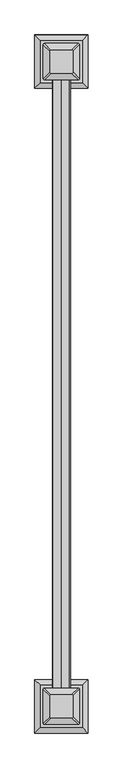
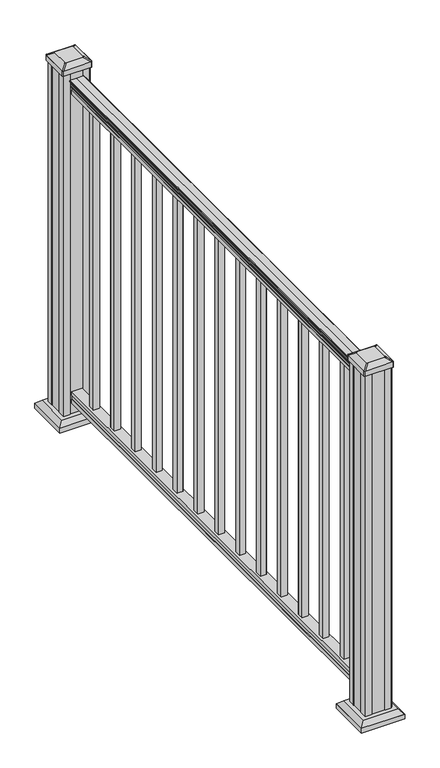
"""IFC4 building model written with IfcOpenShell, lengths in millimetres: railing geometry."""

from ifc_helpers import new_model, si_unit, point, frame, frame_2d, origin, origin_with_axes, place, context, project, spatial, polyline, circle_curve, trimmed, segment, composite_curve, outline, extrude, faceted_brep, source, transform, mapped, element, save
from ifc_brep_helpers import plane_surface, extruded_surface, advanced_brep


def railing_3c4a6111(model_context):
    return source(origin(), model_context, "Body", "SolidModel", [
        extrude(outline(composite_curve([segment(trimmed(circle_curve(frame_2d((1090.8043297, 2999.6160268)), 1.2869144), [point((1090.8043297, 2998.3291125))], [point((1090.8043297, 3000.9029412))], False, "CARTESIAN"), True, "CONTINUOUS"), segment(polyline([(1090.8043297, 3000.9029412), (1080.147013, 3000.9029412), (1079.131013, 2999.8869412), (1066.8, 2999.8869412), (1066.8, 3031.6369412), (1079.2888283, 3031.6369412), (1080.3048283, 3030.6209412), (1090.8043297, 3030.6209412)]), True, "CONTINUOUS"), segment(trimmed(circle_curve(frame_2d((1090.8043297, 3031.9078556)), 1.2869144), [point((1090.8043297, 3030.6209412))], [point((1090.8043297, 3033.1947699))], False, "CARTESIAN"), True, "CONTINUOUS"), segment(polyline([(1090.8043297, 3033.1947699), (1092.692412, 3033.1947699)]), True, "CONTINUOUS"), segment(trimmed(circle_curve(frame_2d((1098.4506383, 3026.8800167)), 8.545951), [point((1092.692412, 3033.1947699))], [point((1094.2546695, 3034.3249562))], False, "CARTESIAN"), True, "CONTINUOUS"), segment(trimmed(circle_curve(frame_2d((1097.8636577, 3027.3170796)), 7.882584), [point((1094.2546695, 3034.3249562))], [point((1101.4726458, 3034.3249562))], False, "CARTESIAN"), True, "CONTINUOUS"), segment(trimmed(circle_curve(frame_2d((1103.7112527, 3037.8304038)), 4.1592695), [point((1101.4726458, 3034.3249562))], [point((1103.9060812, 3033.6756998))], True, "CARTESIAN"), True, "CONTINUOUS"), segment(trimmed(circle_curve(frame_2d((1103.6508864, 3039.1177103)), 5.4479907), [point((1103.9060812, 3033.6756998))], [point((1108.2362083, 3036.1756998))], True, "CARTESIAN"), True, "CONTINUOUS"), segment(trimmed(circle_curve(frame_2d((1108.233395, 3037.8845519)), 1.7088543), [point((1108.2362083, 3036.1756998))], [point((1109.9157972, 3037.5850423))], True, "CARTESIAN"), True, "CONTINUOUS"), segment(trimmed(circle_curve(frame_2d((1111.0205318, 3036.2676518)), 1.7192895), [point((1109.9157972, 3037.5850423))], [point((1111.0205318, 3037.9869413))], False, "CARTESIAN"), True, "CONTINUOUS"), segment(polyline([(1111.0205318, 3037.9869413), (1112.3608158, 3037.9869412)]), True, "CONTINUOUS"), segment(trimmed(circle_curve(frame_2d((1112.3608158, 3036.433494)), 1.5534472), [point((1112.3608158, 3037.9869412))], [point((1113.914263, 3036.433494))], False, "CARTESIAN"), True, "CONTINUOUS"), segment(polyline([(1113.914263, 3036.433494), (1113.914263, 3015.7619412), (1113.914263, 2995.0903884)]), True, "CONTINUOUS"), segment(trimmed(circle_curve(frame_2d((1112.3608158, 2995.0903884)), 1.5534472), [point((1113.914263, 2995.0903884))], [point((1112.3608158, 2993.5369412))], False, "CARTESIAN"), True, "CONTINUOUS"), segment(polyline([(1112.3608158, 2993.5369412), (1111.0205318, 2993.5369412)]), True, "CONTINUOUS"), segment(trimmed(circle_curve(frame_2d((1111.0205318, 2995.2562306)), 1.7192895), [point((1111.0205318, 2993.5369412))], [point((1109.9157972, 2993.9388401))], False, "CARTESIAN"), True, "CONTINUOUS"), segment(trimmed(circle_curve(frame_2d((1108.233395, 2993.6393305)), 1.7088543), [point((1109.9157972, 2993.9388401))], [point((1108.2362083, 2995.3481826))], True, "CARTESIAN"), True, "CONTINUOUS"), segment(trimmed(circle_curve(frame_2d((1103.6508864, 2992.4061721)), 5.4479907), [point((1108.2362083, 2995.3481826))], [point((1103.9060812, 2997.8481826))], True, "CARTESIAN"), True, "CONTINUOUS"), segment(trimmed(circle_curve(frame_2d((1103.7112527, 2993.6934787)), 4.1592695), [point((1103.9060812, 2997.8481826))], [point((1101.4726458, 2997.1989262))], True, "CARTESIAN"), True, "CONTINUOUS"), segment(trimmed(circle_curve(frame_2d((1097.8636577, 3004.2068028)), 7.882584), [point((1101.4726458, 2997.1989262))], [point((1094.2546695, 2997.1989262))], False, "CARTESIAN"), True, "CONTINUOUS"), segment(trimmed(circle_curve(frame_2d((1098.4506383, 3004.6438658)), 8.545951), [point((1094.2546695, 2997.1989262))], [point((1092.692412, 2998.3291125))], False, "CARTESIAN"), True, "CONTINUOUS"), segment(polyline([(1092.692412, 2998.3291125), (1090.8043297, 2998.3291125)]), True, "CONTINUOUS")], self_intersect=False)), frame((0.0, 2351.6700183, 0.0), z_axis=(0.0, 1.0, 0.0), x_axis=(0.0, 0.0, 1.0)), (0.0, 0.0, 1.0), 1524.0),
        extrude(outline(polyline([(76.0541976, 2999.8494543), (63.5, 2999.8494543), (63.5, 3031.5994543), (76.0375508, 3031.5994543), (77.3858283, 3030.5834543), (87.6975248, 3030.5834543), (89.0458024, 3031.5994543), (101.5958781, 3031.5994543), (101.5958781, 2999.8494543), (89.0624492, 2999.8494543), (87.7141717, 3000.8654543), (77.3546183, 3000.8654543), (76.0541976, 2999.8494543)])), frame((0.0, 2351.6700183, 0.0), z_axis=(0.0, 1.0, 0.0), x_axis=(0.0, 0.0, 1.0)), (0.0, 0.0, 1.0), 1524.0),
        extrude(outline(polyline([(3006.2369412, 3771.0934558), (3006.2369412, 3790.1434558), (3025.2869412, 3790.1434558), (3025.2869412, 3771.0934558), (3006.2369412, 3771.0934558)]), holes=[polyline([(3006.6338162, 3771.4903308), (3024.8900662, 3771.4903308), (3024.8900662, 3789.7465808), (3006.6338162, 3789.7465808), (3006.6338162, 3771.4903308)])]), frame((0.0, 0.0, 101.5958781), z_axis=(0.0, 0.0, 1.0), x_axis=(1.0, 0.0, 0.0)), (0.0, 0.0, 1.0), 965.2041219),
        extrude(outline(polyline([(3006.2369412, 3659.9684558), (3006.2369412, 3679.0184558), (3025.2869412, 3679.0184558), (3025.2869412, 3659.9684558), (3006.2369412, 3659.9684558)]), holes=[polyline([(3006.6338162, 3660.3653308), (3024.8900662, 3660.3653308), (3024.8900662, 3678.6215808), (3006.6338162, 3678.6215808), (3006.6338162, 3660.3653308)])]), frame((0.0, 0.0, 101.5958781), z_axis=(0.0, 0.0, 1.0), x_axis=(1.0, 0.0, 0.0)), (0.0, 0.0, 1.0), 965.2041219),
        extrude(outline(polyline([(3006.2369412, 3548.8434558), (3006.2369412, 3567.8934558), (3025.2869412, 3567.8934558), (3025.2869412, 3548.8434558), (3006.2369412, 3548.8434558)]), holes=[polyline([(3006.6338162, 3549.2403308), (3024.8900662, 3549.2403308), (3024.8900662, 3567.4965808), (3006.6338162, 3567.4965808), (3006.6338162, 3549.2403308)])]), frame((0.0, 0.0, 101.5958781), z_axis=(0.0, 0.0, 1.0), x_axis=(1.0, 0.0, 0.0)), (0.0, 0.0, 1.0), 965.2041219),
        extrude(outline(polyline([(3006.2369412, 3437.7184558), (3006.2369412, 3456.7684558), (3025.2869412, 3456.7684558), (3025.2869412, 3437.7184558), (3006.2369412, 3437.7184558)]), holes=[polyline([(3006.6338162, 3438.1153308), (3024.8900662, 3438.1153308), (3024.8900662, 3456.3715808), (3006.6338162, 3456.3715808), (3006.6338162, 3438.1153308)])]), frame((0.0, 0.0, 101.5958781), z_axis=(0.0, 0.0, 1.0), x_axis=(1.0, 0.0, 0.0)), (0.0, 0.0, 1.0), 965.2041219),
        extrude(outline(polyline([(3006.2369412, 3326.5934558), (3006.2369412, 3345.6434558), (3025.2869412, 3345.6434558), (3025.2869412, 3326.5934558), (3006.2369412, 3326.5934558)]), holes=[polyline([(3006.6338162, 3326.9903308), (3024.8900662, 3326.9903308), (3024.8900662, 3345.2465808), (3006.6338162, 3345.2465808), (3006.6338162, 3326.9903308)])]), frame((0.0, 0.0, 101.5958781), z_axis=(0.0, 0.0, 1.0), x_axis=(1.0, 0.0, 0.0)), (0.0, 0.0, 1.0), 965.2041219),
        extrude(outline(polyline([(3006.2369412, 3215.4684558), (3006.2369412, 3234.5184558), (3025.2869412, 3234.5184558), (3025.2869412, 3215.4684558), (3006.2369412, 3215.4684558)]), holes=[polyline([(3006.6338162, 3215.8653308), (3024.8900662, 3215.8653308), (3024.8900662, 3234.1215808), (3006.6338162, 3234.1215808), (3006.6338162, 3215.8653308)])]), frame((0.0, 0.0, 101.5958781), z_axis=(0.0, 0.0, 1.0), x_axis=(1.0, 0.0, 0.0)), (0.0, 0.0, 1.0), 965.2041219),
        extrude(outline(polyline([(3006.2369412, 3104.3434558), (3006.2369412, 3123.3934558), (3025.2869412, 3123.3934558), (3025.2869412, 3104.3434558), (3006.2369412, 3104.3434558)]), holes=[polyline([(3006.6338162, 3104.7403308), (3024.8900662, 3104.7403308), (3024.8900662, 3122.9965808), (3006.6338162, 3122.9965808), (3006.6338162, 3104.7403308)])]), frame((0.0, 0.0, 101.5958781), z_axis=(0.0, 0.0, 1.0), x_axis=(1.0, 0.0, 0.0)), (0.0, 0.0, 1.0), 965.2041219),
        extrude(outline(polyline([(3006.2369412, 2993.2184558), (3006.2369412, 3012.2684558), (3025.2869412, 3012.2684558), (3025.2869412, 2993.2184558), (3006.2369412, 2993.2184558)]), holes=[polyline([(3006.6338162, 2993.6153308), (3024.8900662, 2993.6153308), (3024.8900662, 3011.8715808), (3006.6338162, 3011.8715808), (3006.6338162, 2993.6153308)])]), frame((0.0, 0.0, 101.5958781), z_axis=(0.0, 0.0, 1.0), x_axis=(1.0, 0.0, 0.0)), (0.0, 0.0, 1.0), 965.2041219),
        extrude(outline(polyline([(3006.2369412, 2882.0934558), (3006.2369412, 2901.1434558), (3025.2869412, 2901.1434558), (3025.2869412, 2882.0934558), (3006.2369412, 2882.0934558)]), holes=[polyline([(3006.6338162, 2882.4903308), (3024.8900662, 2882.4903308), (3024.8900662, 2900.7465808), (3006.6338162, 2900.7465808), (3006.6338162, 2882.4903308)])]), frame((0.0, 0.0, 101.5958781), z_axis=(0.0, 0.0, 1.0), x_axis=(1.0, 0.0, 0.0)), (0.0, 0.0, 1.0), 965.2041219),
        extrude(outline(polyline([(3006.2369412, 2770.9684558), (3006.2369412, 2790.0184558), (3025.2869412, 2790.0184558), (3025.2869412, 2770.9684558), (3006.2369412, 2770.9684558)]), holes=[polyline([(3006.6338162, 2771.3653308), (3024.8900662, 2771.3653308), (3024.8900662, 2789.6215808), (3006.6338162, 2789.6215808), (3006.6338162, 2771.3653308)])]), frame((0.0, 0.0, 101.5958781), z_axis=(0.0, 0.0, 1.0), x_axis=(1.0, 0.0, 0.0)), (0.0, 0.0, 1.0), 965.2041219),
        extrude(outline(polyline([(3006.2369412, 2659.8434558), (3006.2369412, 2678.8934558), (3025.2869412, 2678.8934558), (3025.2869412, 2659.8434558), (3006.2369412, 2659.8434558)]), holes=[polyline([(3006.6338162, 2660.2403308), (3024.8900662, 2660.2403308), (3024.8900662, 2678.4965808), (3006.6338162, 2678.4965808), (3006.6338162, 2660.2403308)])]), frame((0.0, 0.0, 101.5958781), z_axis=(0.0, 0.0, 1.0), x_axis=(1.0, 0.0, 0.0)), (0.0, 0.0, 1.0), 965.2041219),
        extrude(outline(polyline([(3006.2369412, 2548.7184558), (3006.2369412, 2567.7684558), (3025.2869412, 2567.7684558), (3025.2869412, 2548.7184558), (3006.2369412, 2548.7184558)]), holes=[polyline([(3006.6338162, 2549.1153308), (3024.8900662, 2549.1153308), (3024.8900662, 2567.3715808), (3006.6338162, 2567.3715808), (3006.6338162, 2549.1153308)])]), frame((0.0, 0.0, 101.5958781), z_axis=(0.0, 0.0, 1.0), x_axis=(1.0, 0.0, 0.0)), (0.0, 0.0, 1.0), 965.2041219),
        extrude(outline(polyline([(3006.2369412, 2437.5934558), (3006.2369412, 2456.6434558), (3025.2869412, 2456.6434558), (3025.2869412, 2437.5934558), (3006.2369412, 2437.5934558)]), holes=[polyline([(3006.6338162, 2437.9903308), (3024.8900662, 2437.9903308), (3024.8900662, 2456.2465808), (3006.6338162, 2456.2465808), (3006.6338162, 2437.9903308)])]), frame((0.0, 0.0, 101.5958781), z_axis=(0.0, 0.0, 1.0), x_axis=(1.0, 0.0, 0.0)), (0.0, 0.0, 1.0), 965.2041219),
        faceted_brep([(2963.1760037, 3864.3590808, 28.575), (3068.3478787, 3864.3590808, 28.575), (3068.3478787, 3969.5309558, 28.575), (2963.1760037, 3969.5309558, 28.575), (2949.1365506, 3850.3196276, 15.24), (2949.1365506, 3983.5704089, 15.24), (3082.3873318, 3983.5704089, 15.24), (3082.3873318, 3850.3196276, 15.24)], [[[0, 1, 2, 3]], [[4, 5, 6, 7]], [[4, 7, 1, 0]], [[7, 6, 2, 1]], [[6, 5, 3, 2]], [[5, 4, 0, 3]]]),
        extrude(outline(polyline([(2949.1365506, 3850.3196276), (2949.1365506, 3983.5704089), (3082.3873318, 3983.5704089), (3082.3873318, 3850.3196276), (2949.1365506, 3850.3196276)])), origin_with_axes(), (0.0, 0.0, 1.0), 15.24),
        advanced_brep(
        [(3041.5588162, 3887.9731433, 1165.225), (3044.7338162, 3891.1481433, 1165.225), (3044.7338162, 3942.7418933, 1165.225), (3041.5588162, 3945.9168933, 1165.225), (2989.9650662, 3945.9168933, 1165.225), (2986.7900662, 3942.7418933, 1165.225), (2986.7900662, 3891.1481433, 1165.225), (2989.9650662, 3887.9731433, 1165.225), (3057.8306912, 3871.7012683, 1153.922), (2973.6931912, 3871.7012683, 1153.922), (2970.5181912, 3874.8762683, 1153.922), (2970.5181912, 3959.0137683, 1153.922), (2973.6931912, 3962.1887683, 1153.922), (3057.8306912, 3962.1887683, 1153.922), (3061.0056912, 3959.0137683, 1153.922), (3061.0056912, 3874.8762683, 1153.922)],
        [
            (0, 1, circle_curve(frame((3041.5588162, 3891.1481433, 1165.225), z_axis=(0.0, 0.0, 1.0), x_axis=(0.0, 1.0, 0.0)), 3.175)),
            (1, 2),
            (2, 3, circle_curve(frame((3041.5588162, 3942.7418933, 1165.225), z_axis=(0.0, 0.0, 1.0), x_axis=(0.0, 1.0, 0.0)), 3.175)),
            (3, 4),
            (4, 5, circle_curve(frame((2989.9650662, 3942.7418933, 1165.225), z_axis=(0.0, 0.0, 1.0), x_axis=(0.0, 1.0, 0.0)), 3.175)),
            (5, 6),
            (6, 7, circle_curve(frame((2989.9650662, 3891.1481433, 1165.225), z_axis=(0.0, 0.0, 1.0), x_axis=(0.0, 1.0, 0.0)), 3.175)),
            (7, 0),
            (8, 9),
            (9, 10, circle_curve(frame((2973.6931912, 3874.8762683, 1153.922), z_axis=(0.0, 0.0, -1.0), x_axis=(0.0, 1.0, 0.0)), 3.175)),
            (10, 11),
            (11, 12, circle_curve(frame((2973.6931912, 3959.0137683, 1153.922), z_axis=(0.0, 0.0, -1.0), x_axis=(0.0, 1.0, 0.0)), 3.175)),
            (12, 13),
            (13, 14, circle_curve(frame((3057.8306912, 3959.0137683, 1153.922), z_axis=(0.0, 0.0, -1.0), x_axis=(0.0, 1.0, 0.0)), 3.175)),
            (14, 15),
            (15, 8, circle_curve(frame((3057.8306912, 3874.8762683, 1153.922), z_axis=(0.0, 0.0, -1.0), x_axis=(0.0, 1.0, 0.0)), 3.175)),
            (15, 1),
            (0, 8),
            (14, 2),
            (13, 3),
            (12, 4),
            (11, 5),
            (10, 6),
            (9, 7),
        ],
        [
            plane_surface(frame((3015.7619412, 3916.9450183, 1165.225), z_axis=(0.0, 0.0, 1.0), x_axis=(1.0, 0.0, 0.0))),
            plane_surface(frame((3015.7619412, 3916.9450183, 1153.922), z_axis=(0.0, 0.0, -1.0), x_axis=(1.0, 0.0, 0.0))),
            extruded_surface(trimmed(circle_curve(frame((3057.8306912, 3874.8762683, 1153.922), z_axis=(0.0, 0.0, 1.0), x_axis=(0.0, 1.0, 0.0)), 3.175), [point((3057.8306912, 3871.7012683, 1153.922))], [point((3061.0056912, 3874.8762683, 1153.922))], True, "CARTESIAN"), (-16.27187499999991, 16.27187499999991, 11.302999999999884), 25.637972638865996),
            plane_surface(frame((3061.0056912, 3916.9450183, 1153.922), z_axis=(0.5705009161540777, 0.0, 0.8212969649690409), x_axis=(0.0, 1.0, 0.0))),
            extruded_surface(trimmed(circle_curve(frame((3057.8306912, 3959.0137683, 1153.922), z_axis=(0.0, 0.0, 1.0), x_axis=(0.0, 1.0, 0.0)), 3.175), [point((3061.0056912, 3959.0137683, 1153.922))], [point((3057.8306912, 3962.1887683, 1153.922))], True, "CARTESIAN"), (-16.27187499999991, -16.27187499999991, 11.302999999999884), 25.637972638865996),
            plane_surface(frame((3015.7619412, 3962.1887683, 1153.922), z_axis=(0.0, 0.5705009161540291, 0.8212969649690747), x_axis=(-1.0, 0.0, 0.0))),
            extruded_surface(trimmed(circle_curve(frame((2973.6931912, 3959.0137683, 1153.922), z_axis=(0.0, 0.0, 1.0), x_axis=(0.0, 1.0, 0.0)), 3.175), [point((2973.6931912, 3962.1887683, 1153.922))], [point((2970.5181912, 3959.0137683, 1153.922))], True, "CARTESIAN"), (16.27187499999991, -16.27187499999991, 11.302999999999884), 25.637972638865996),
            plane_surface(frame((2970.5181912, 3916.9450183, 1153.922), z_axis=(-0.5705009161540143, 0.0, 0.821296964969085), x_axis=(0.0, -1.0, 0.0))),
            extruded_surface(trimmed(circle_curve(frame((2973.6931912, 3874.8762683, 1153.922), z_axis=(0.0, 0.0, 1.0), x_axis=(0.0, 1.0, 0.0)), 3.175), [point((2970.5181912, 3874.8762683, 1153.922))], [point((2973.6931912, 3871.7012683, 1153.922))], True, "CARTESIAN"), (16.27187499999991, 16.27187499999991, 11.302999999999884), 25.637972638865996),
            plane_surface(frame((3015.7619412, 3871.7012683, 1153.922), z_axis=(0.0, -0.570500916154034, 0.8212969649690713), x_axis=(1.0, 0.0, 0.0))),
        ],
        [
            (0, [[1, 2, 3, 4, 5, 6, 7, 8]]),
            (1, [[9, 10, 11, 12, 13, 14, 15, 16]]),
            (2, [[-16, 17, -1, 18]]),
            (3, [[-15, 19, -2, -17]]),
            (4, [[-14, 20, -3, -19]]),
            (5, [[-13, 21, -4, -20]]),
            (6, [[-12, 22, -5, -21]]),
            (7, [[-11, 23, -6, -22]]),
            (8, [[-10, 24, -7, -23]]),
            (9, [[-9, -18, -8, -24]]),
        ],
    ),
        extrude(outline(composite_curve([segment(polyline([(3057.8306912, 3871.7012683), (2973.6931912, 3871.7012683)]), True, "CONTINUOUS"), segment(trimmed(circle_curve(frame_2d((2973.6931912, 3874.8762683)), 3.175), [point((2973.6931912, 3871.7012683))], [point((2970.5181912, 3874.8762683))], False, "CARTESIAN"), True, "CONTINUOUS"), segment(polyline([(2970.5181912, 3874.8762683), (2970.5181912, 3959.0137683)]), True, "CONTINUOUS"), segment(trimmed(circle_curve(frame_2d((2973.6931912, 3959.0137683)), 3.175), [point((2970.5181912, 3959.0137683))], [point((2973.6931912, 3962.1887683))], False, "CARTESIAN"), True, "CONTINUOUS"), segment(polyline([(2973.6931912, 3962.1887683), (3057.8306912, 3962.1887683)]), True, "CONTINUOUS"), segment(trimmed(circle_curve(frame_2d((3057.8306912, 3959.0137683)), 3.175), [point((3057.8306912, 3962.1887683))], [point((3061.0056912, 3959.0137683))], False, "CARTESIAN"), True, "CONTINUOUS"), segment(polyline([(3061.0056912, 3959.0137683), (3061.0056912, 3874.8762683)]), True, "CONTINUOUS"), segment(trimmed(circle_curve(frame_2d((3057.8306912, 3874.8762683)), 3.175), [point((3061.0056912, 3874.8762683))], [point((3057.8306912, 3871.7012683))], False, "CARTESIAN"), True, "CONTINUOUS")], self_intersect=False)), frame((0.0, 0.0, 1136.65), z_axis=(0.0, 0.0, 1.0), x_axis=(1.0, 0.0, 0.0)), (0.0, 0.0, 1.0), 17.272),
        extrude(outline(polyline([(3055.4494412, 3875.6700183), (3035.8279412, 3875.6700183), (3035.0659412, 3877.2575183), (2996.4579412, 3877.2575183), (2995.6959412, 3875.6700183), (2976.0744412, 3875.6700183), (2974.4869412, 3877.2575183), (2974.4869412, 3896.8790183), (2976.0744412, 3897.6410183), (2976.0744412, 3936.2490183), (2974.4869412, 3937.0110183), (2974.4869412, 3956.6325183), (2976.0744412, 3958.2200183), (2995.6959412, 3958.2200183), (2996.4579412, 3956.6325183), (3035.0659412, 3956.6325183), (3035.8279412, 3958.2200183), (3055.4494412, 3958.2200183), (3057.0369412, 3956.6325183), (3057.0369412, 3937.0110183), (3055.4494412, 3936.2490183), (3055.4494412, 3897.6410183), (3057.0369412, 3896.8790183), (3057.0369412, 3877.2575183), (3055.4494412, 3875.6700183)])), origin_with_axes(), (0.0, 0.0, 1.0), 1136.65),
        faceted_brep([(2963.1760037, 2257.8090808, 28.575), (3068.3478787, 2257.8090808, 28.575), (3068.3478787, 2362.9809558, 28.575), (2963.1760037, 2362.9809558, 28.575), (2949.1365506, 2243.7696276, 15.24), (2949.1365506, 2377.0204089, 15.24), (3082.3873318, 2377.0204089, 15.24), (3082.3873318, 2243.7696276, 15.24)], [[[0, 1, 2, 3]], [[4, 5, 6, 7]], [[4, 7, 1, 0]], [[7, 6, 2, 1]], [[6, 5, 3, 2]], [[5, 4, 0, 3]]]),
        extrude(outline(polyline([(2949.1365506, 2243.7696276), (2949.1365506, 2377.0204089), (3082.3873318, 2377.0204089), (3082.3873318, 2243.7696276), (2949.1365506, 2243.7696276)])), origin_with_axes(), (0.0, 0.0, 1.0), 15.24),
        advanced_brep(
        [(3041.5588162, 2281.4231433, 1165.225), (3044.7338162, 2284.5981433, 1165.225), (3044.7338162, 2336.1918933, 1165.225), (3041.5588162, 2339.3668933, 1165.225), (2989.9650662, 2339.3668933, 1165.225), (2986.7900662, 2336.1918933, 1165.225), (2986.7900662, 2284.5981433, 1165.225), (2989.9650662, 2281.4231433, 1165.225), (3057.8306912, 2265.1512683, 1153.922), (2973.6931912, 2265.1512683, 1153.922), (2970.5181912, 2268.3262683, 1153.922), (2970.5181912, 2352.4637683, 1153.922), (2973.6931912, 2355.6387683, 1153.922), (3057.8306912, 2355.6387683, 1153.922), (3061.0056912, 2352.4637683, 1153.922), (3061.0056912, 2268.3262683, 1153.922)],
        [
            (0, 1, circle_curve(frame((3041.5588162, 2284.5981433, 1165.225), z_axis=(0.0, 0.0, 1.0), x_axis=(0.0, 1.0, 0.0)), 3.175)),
            (1, 2),
            (2, 3, circle_curve(frame((3041.5588162, 2336.1918933, 1165.225), z_axis=(0.0, 0.0, 1.0), x_axis=(0.0, 1.0, 0.0)), 3.175)),
            (3, 4),
            (4, 5, circle_curve(frame((2989.9650662, 2336.1918933, 1165.225), z_axis=(0.0, 0.0, 1.0), x_axis=(0.0, 1.0, 0.0)), 3.175)),
            (5, 6),
            (6, 7, circle_curve(frame((2989.9650662, 2284.5981433, 1165.225), z_axis=(0.0, 0.0, 1.0), x_axis=(0.0, 1.0, 0.0)), 3.175)),
            (7, 0),
            (8, 9),
            (9, 10, circle_curve(frame((2973.6931912, 2268.3262683, 1153.922), z_axis=(0.0, 0.0, -1.0), x_axis=(0.0, 1.0, 0.0)), 3.175)),
            (10, 11),
            (11, 12, circle_curve(frame((2973.6931912, 2352.4637683, 1153.922), z_axis=(0.0, 0.0, -1.0), x_axis=(0.0, 1.0, 0.0)), 3.175)),
            (12, 13),
            (13, 14, circle_curve(frame((3057.8306912, 2352.4637683, 1153.922), z_axis=(0.0, 0.0, -1.0), x_axis=(0.0, 1.0, 0.0)), 3.175)),
            (14, 15),
            (15, 8, circle_curve(frame((3057.8306912, 2268.3262683, 1153.922), z_axis=(0.0, 0.0, -1.0), x_axis=(0.0, 1.0, 0.0)), 3.175)),
            (15, 1),
            (0, 8),
            (14, 2),
            (13, 3),
            (12, 4),
            (11, 5),
            (10, 6),
            (9, 7),
        ],
        [
            plane_surface(frame((3015.7619412, 2310.3950183, 1165.225), z_axis=(0.0, 0.0, 1.0), x_axis=(1.0, 0.0, 0.0))),
            plane_surface(frame((3015.7619412, 2310.3950183, 1153.922), z_axis=(0.0, 0.0, -1.0), x_axis=(1.0, 0.0, 0.0))),
            extruded_surface(trimmed(circle_curve(frame((3057.8306912, 2268.3262683, 1153.922), z_axis=(0.0, 0.0, 1.0), x_axis=(0.0, 1.0, 0.0)), 3.175), [point((3057.8306912, 2265.1512683, 1153.922))], [point((3061.0056912, 2268.3262683, 1153.922))], True, "CARTESIAN"), (-16.27187499999991, 16.271875000000364, 11.302999999999884), 25.637972638866284),
            plane_surface(frame((3061.0056912, 2310.3950183, 1153.922), z_axis=(0.5705009161540777, 0.0, 0.8212969649690409), x_axis=(0.0, 1.0, 0.0))),
            extruded_surface(trimmed(circle_curve(frame((3057.8306912, 2352.4637683, 1153.922), z_axis=(0.0, 0.0, 1.0), x_axis=(0.0, 1.0, 0.0)), 3.175), [point((3061.0056912, 2352.4637683, 1153.922))], [point((3057.8306912, 2355.6387683, 1153.922))], True, "CARTESIAN"), (-16.27187499999991, -16.27187499999991, 11.302999999999884), 25.637972638865996),
            plane_surface(frame((3015.7619412, 2355.6387683, 1153.922), z_axis=(0.0, 0.5705009161540291, 0.8212969649690747), x_axis=(-1.0, 0.0, 0.0))),
            extruded_surface(trimmed(circle_curve(frame((2973.6931912, 2352.4637683, 1153.922), z_axis=(0.0, 0.0, 1.0), x_axis=(0.0, 1.0, 0.0)), 3.175), [point((2973.6931912, 2355.6387683, 1153.922))], [point((2970.5181912, 2352.4637683, 1153.922))], True, "CARTESIAN"), (16.27187499999991, -16.27187499999991, 11.302999999999884), 25.637972638865996),
            plane_surface(frame((2970.5181912, 2310.3950183, 1153.922), z_axis=(-0.5705009161540143, 0.0, 0.821296964969085), x_axis=(0.0, -1.0, 0.0))),
            extruded_surface(trimmed(circle_curve(frame((2973.6931912, 2268.3262683, 1153.922), z_axis=(0.0, 0.0, 1.0), x_axis=(0.0, 1.0, 0.0)), 3.175), [point((2970.5181912, 2268.3262683, 1153.922))], [point((2973.6931912, 2265.1512683, 1153.922))], True, "CARTESIAN"), (16.27187499999991, 16.271875000000364, 11.302999999999884), 25.637972638866284),
            plane_surface(frame((3015.7619412, 2265.1512683, 1153.922), z_axis=(0.0, -0.570500916154034, 0.8212969649690713), x_axis=(1.0, 0.0, 0.0))),
        ],
        [
            (0, [[1, 2, 3, 4, 5, 6, 7, 8]]),
            (1, [[9, 10, 11, 12, 13, 14, 15, 16]]),
            (2, [[-16, 17, -1, 18]]),
            (3, [[-15, 19, -2, -17]]),
            (4, [[-14, 20, -3, -19]]),
            (5, [[-13, 21, -4, -20]]),
            (6, [[-12, 22, -5, -21]]),
            (7, [[-11, 23, -6, -22]]),
            (8, [[-10, 24, -7, -23]]),
            (9, [[-9, -18, -8, -24]]),
        ],
    ),
        extrude(outline(composite_curve([segment(polyline([(3057.8306912, 2265.1512683), (2973.6931912, 2265.1512683)]), True, "CONTINUOUS"), segment(trimmed(circle_curve(frame_2d((2973.6931912, 2268.3262683)), 3.175), [point((2973.6931912, 2265.1512683))], [point((2970.5181912, 2268.3262683))], False, "CARTESIAN"), True, "CONTINUOUS"), segment(polyline([(2970.5181912, 2268.3262683), (2970.5181912, 2352.4637683)]), True, "CONTINUOUS"), segment(trimmed(circle_curve(frame_2d((2973.6931912, 2352.4637683)), 3.175), [point((2970.5181912, 2352.4637683))], [point((2973.6931912, 2355.6387683))], False, "CARTESIAN"), True, "CONTINUOUS"), segment(polyline([(2973.6931912, 2355.6387683), (3057.8306912, 2355.6387683)]), True, "CONTINUOUS"), segment(trimmed(circle_curve(frame_2d((3057.8306912, 2352.4637683)), 3.175), [point((3057.8306912, 2355.6387683))], [point((3061.0056912, 2352.4637683))], False, "CARTESIAN"), True, "CONTINUOUS"), segment(polyline([(3061.0056912, 2352.4637683), (3061.0056912, 2268.3262683)]), True, "CONTINUOUS"), segment(trimmed(circle_curve(frame_2d((3057.8306912, 2268.3262683)), 3.175), [point((3061.0056912, 2268.3262683))], [point((3057.8306912, 2265.1512683))], False, "CARTESIAN"), True, "CONTINUOUS")], self_intersect=False)), frame((0.0, 0.0, 1136.65), z_axis=(0.0, 0.0, 1.0), x_axis=(1.0, 0.0, 0.0)), (0.0, 0.0, 1.0), 17.272),
        extrude(outline(polyline([(3055.4494412, 2269.1200183), (3035.8279412, 2269.1200183), (3035.0659412, 2270.7075183), (2996.4579412, 2270.7075183), (2995.6959412, 2269.1200183), (2976.0744412, 2269.1200183), (2974.4869412, 2270.7075183), (2974.4869412, 2290.3290183), (2976.0744412, 2291.0910183), (2976.0744412, 2329.6990183), (2974.4869412, 2330.4610183), (2974.4869412, 2350.0825183), (2976.0744412, 2351.6700183), (2995.6959412, 2351.6700183), (2996.4579412, 2350.0825183), (3035.0659412, 2350.0825183), (3035.8279412, 2351.6700183), (3055.4494412, 2351.6700183), (3057.0369412, 2350.0825183), (3057.0369412, 2330.4610183), (3055.4494412, 2329.6990183), (3055.4494412, 2291.0910183), (3057.0369412, 2290.3290183), (3057.0369412, 2270.7075183), (3055.4494412, 2269.1200183)])), origin_with_axes(), (0.0, 0.0, 1.0), 1136.65),
    ])


if __name__ == "__main__":
    model = new_model("IFC4")
    model_context = context("Model", 3, world=origin())
    ifc_project = project(units=[si_unit("LENGTHUNIT", "METRE", prefix="MILLI")], contexts=[model_context])
    site = spatial("IfcSite", under=ifc_project)
    building = spatial("IfcBuilding", under=site)
    placement = place(None, origin())
    railing_shape = railing_3c4a6111(model_context)
    element("IfcRailing", 1, at=placement, inside=building, context=model_context, shape_type="MappedRepresentation", body=[
        mapped(railing_shape, transform((0.0, 0.0, 0.0), x_axis=(1.0, 0.0, 0.0), y_axis=(0.0, 1.0, 0.0), z_axis=(0.0, 0.0, 1.0))),
    ])
    save(model, "model.ifc")
